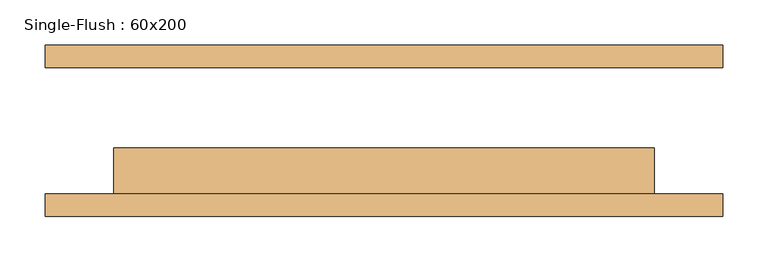
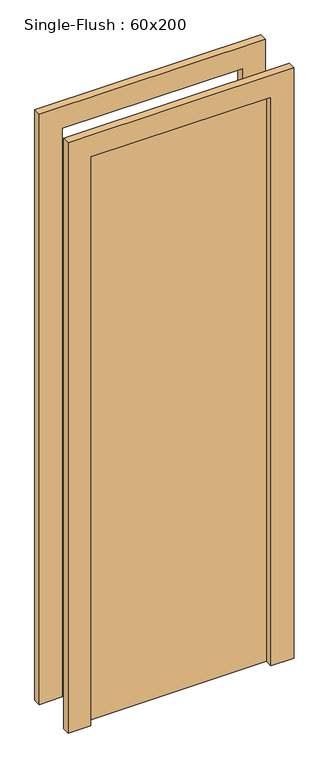
"""IFC4 building model written with IfcOpenShell, lengths in millimetres: door geometry, Single-Flush : 60x200."""

from ifc_helpers import new_model, si_unit, frame, origin, origin_with_axes, place, context, project, spatial, polyline, outline, extrude, source, transform, mapped, element, save


def single_flush_60x200_958804f3(model_context):
    return source(origin(), model_context, "Body", "SweptSolid", [
        extrude(outline(polyline([(2076.2, -376.2), (0.0, -376.2), (0.0, -300.0), (2000.0, -300.0), (2000.0, 300.0), (0.0, 300.0), (0.0, 376.2), (2076.2, 376.2), (2076.2, -376.2)])), frame((0.0, -95.4, 0.0), z_axis=(0.0, 1.0, 0.0), x_axis=(0.0, 0.0, 1.0)), (0.0, 0.0, 1.0), 25.4),
        extrude(outline(polyline([(2076.2, 376.2), (2076.2, -376.2), (0.0, -376.2), (0.0, -300.0), (2000.0, -300.0), (2000.0, 300.0), (0.0, 300.0), (0.0, 376.2), (2076.2, 376.2)])), frame((0.0, 70.0, 0.0), z_axis=(0.0, 1.0, 0.0), x_axis=(0.0, 0.0, 1.0)), (0.0, 0.0, 1.0), 25.4),
        extrude(outline(polyline([(300.0, -19.2), (300.0, -70.0), (-300.0, -70.0), (-300.0, -19.2), (300.0, -19.2)])), origin_with_axes(), (0.0, 0.0, 1.0), 2000.0),
    ])


if __name__ == "__main__":
    model = new_model("IFC4")
    model_context = context("Model", 3, world=origin())
    ifc_project = project(units=[si_unit("LENGTHUNIT", "METRE", prefix="MILLI")], contexts=[model_context])
    site = spatial("IfcSite", under=ifc_project)
    building = spatial("IfcBuilding", under=site)
    placement = place(None, origin())
    single_flush_60x200_shape = single_flush_60x200_958804f3(model_context)
    element("IfcDoor", 1, ObjectType="Single-Flush : 60x200", at=placement, inside=building, context=model_context, shape_type="MappedRepresentation", body=[
        mapped(single_flush_60x200_shape, transform((0.0, 0.0, 0.0), x_axis=(1.0, 0.0, 0.0), y_axis=(0.0, 1.0, 0.0), z_axis=(0.0, 0.0, 1.0))),
    ])
    save(model, "model.ifc")
